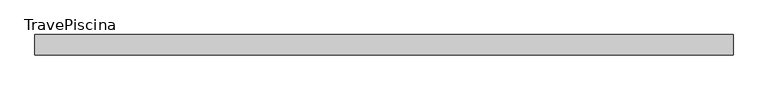
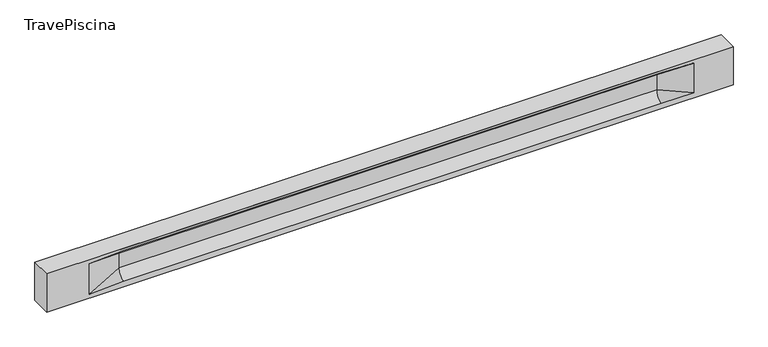
"""IFC4 building model written with IfcOpenShell, lengths in millimetres: beam geometry, TravePiscina."""

from ifc_helpers import new_model, si_unit, frame, origin, place, context, project, spatial, polyline, circle_curve, source, transform, mapped, element, save
from ifc_brep_helpers import plane_surface, revolved_surface, spline_surface, advanced_brep


def travepiscina_f9c4f2c6(model_context):
    return source(origin(), model_context, "Body", "AdvancedBrep", [
        advanced_brep(
        [(8489.5, -250.0, 500.0), (8489.5, -250.0, -500.0), (8489.5, 250.0, -500.0), (8489.5, 250.0, 500.0), (-8489.5, -250.0, 500.0), (-8489.5, -250.0, -500.0), (7514.5, -250.0, -362.0), (6714.5, -250.0, -360.0), (-6589.5, -250.0, -360.0), (-7439.5, -250.0, -400.0), (-7439.5, -250.0, 400.0), (-6589.5, -250.0, 435.0), (6714.5, -250.0, 435.0), (7514.5, -250.0, 400.0), (-8489.5, 250.0, -500.0), (-8489.5, 250.0, 500.0), (7514.5, 250.0, 400.0), (6714.5, 250.0, 435.0), (-6589.5, 250.0, 435.0), (-7439.5, 250.0, 400.0), (-7439.5, 250.0, -400.0), (-6589.5, 250.0, -360.0), (6714.5, 250.0, -360.0), (7514.5, 250.0, -362.0), (6714.5, 155.0, 405.0), (-6589.5, 155.0, 405.0), (-6589.5, -60.0, 262.777021), (6714.5, -60.0, 262.777021), (6714.5, -155.0, 405.0), (-6589.5, -155.0, 405.0), (-6589.5, 60.0, 262.777021), (6714.5, 60.0, 262.777021), (6714.5, 60.0, -120.0), (-6589.5, 60.0, -120.0), (-6589.5, -60.0, -120.0), (6714.5, -60.0, -120.0)],
        [
            (0, 1),
            (1, 2),
            (2, 3),
            (3, 0),
            (0, 4),
            (4, 5),
            (5, 1),
            (6, 7),
            (7, 8),
            (8, 9),
            (9, 10),
            (10, 11),
            (11, 12),
            (12, 13),
            (13, 6),
            (5, 14),
            (14, 2),
            (14, 15),
            (15, 3),
            (16, 17),
            (17, 18),
            (18, 19),
            (19, 20),
            (20, 21),
            (21, 22),
            (22, 23),
            (23, 16),
            (15, 4),
            (17, 24),
            (24, 25),
            (25, 18),
            (26, 27),
            (27, 28, circle_curve(frame((6714.5, -213.9598725, 262.777021), z_axis=(1.0, 0.0, 0.0), x_axis=(0.0, 1.0, 0.0)), 153.9598725)),
            (28, 29),
            (29, 26, circle_curve(frame((-6589.5, -213.9598725, 262.777021), z_axis=(-1.0, 0.0, 0.0), x_axis=(0.0, 1.0, 0.0)), 153.9598725)),
            (30, 31),
            (31, 32),
            (32, 33),
            (33, 30),
            (28, 12),
            (11, 29),
            (34, 35),
            (35, 27),
            (26, 34),
            (25, 19),
            (22, 32, circle_curve(frame((6714.5, 306.5789474, -120.0), z_axis=(-1.0, 0.0, 0.0), x_axis=(0.0, 1.0, 0.0)), 246.5789474)),
            (32, 23),
            (10, 29),
            (10, 26),
            (13, 28),
            (27, 13),
            (30, 19),
            (25, 30, circle_curve(frame((-6589.5, 213.9598725, 262.777021), z_axis=(1.0, 0.0, 0.0), x_axis=(0.0, 1.0, 0.0)), 153.9598725)),
            (9, 34),
            (8, 34, circle_curve(frame((-6589.5, -306.5789474, -120.0), z_axis=(1.0, 0.0, 0.0), x_axis=(0.0, 1.0, 0.0)), 246.5789474)),
            (20, 33),
            (33, 21, circle_curve(frame((-6589.5, 306.5789474, -120.0), z_axis=(1.0, 0.0, 0.0), x_axis=(0.0, 1.0, 0.0)), 246.5789474)),
            (35, 6),
            (35, 7, circle_curve(frame((6714.5, -306.5789474, -120.0), z_axis=(-1.0, 0.0, 0.0), x_axis=(0.0, 1.0, 0.0)), 246.5789474)),
            (31, 16),
            (31, 24, circle_curve(frame((6714.5, 213.9598725, 262.777021), z_axis=(-1.0, 0.0, 0.0), x_axis=(0.0, 1.0, 0.0)), 153.9598725)),
            (24, 16),
        ],
        [
            plane_surface(frame((8489.5, 0.0, 0.0), z_axis=(1.0, 0.0, 0.0), x_axis=(0.0, 0.0, 1.0))),
            plane_surface(frame((8489.5, -250.0, 500.0), z_axis=(0.0, -1.0, 0.0), x_axis=(-1.0, 0.0, 0.0))),
            plane_surface(frame((8489.5, -250.0, -500.0), z_axis=(0.0, 0.0, -1.0), x_axis=(-1.0, 0.0, 0.0))),
            plane_surface(frame((8489.5, 250.0, -500.0), z_axis=(0.0, 1.0, 0.0), x_axis=(-1.0, 0.0, 0.0))),
            plane_surface(frame((8489.5, 250.0, 500.0), z_axis=(0.0, 0.0, 1.0), x_axis=(-1.0, 0.0, 0.0))),
            plane_surface(frame((-6589.5, 250.0, 435.0), z_axis=(0.0, 0.30113136793710954, -0.9535826651341378), x_axis=(1.0, 0.0, 0.0))),
            plane_surface(frame((-8489.5, 0.0, 0.0), z_axis=(-1.0, 0.0, 0.0), x_axis=(0.0, 0.0, 1.0))),
            revolved_surface(polyline([(6714.5, -60.0, 262.777021), (-6589.5, -60.0, 262.777021)]), (-6589.5, -213.9598725, 262.777021), (1.0, 0.0, 0.0)),
            plane_surface(frame((-6589.5, 60.0, 262.777021), z_axis=(0.0, 1.0, 0.0), x_axis=(1.0, 0.0, 0.0))),
            plane_surface(frame((-6589.5, -155.0, 405.0), z_axis=(0.0, -0.30113136793710693, -0.9535826651341387), x_axis=(1.0, 0.0, 0.0))),
            plane_surface(frame((-6589.5, -60.0, -120.0), z_axis=(0.0, -1.0, 0.0), x_axis=(1.0, 0.0, 0.0))),
            plane_surface(frame((-7439.5, 250.0, 400.0), z_axis=(0.039234934914694146, 0.30089950084952793, -0.9528484193567961), x_axis=(0.0, 0.9535826651341378, 0.30113136793710954))),
            spline_surface(2, 1, [[(6714.5, 250.0, -360.0), (7514.5, 250.0, -362.0)], [(6714.5, 60.00000002887427, -315.20833329480604), (7514.5, 250.0, -362.0)], [(6714.5, 60.0, -120.0), (7514.5, 250.0, -362.0)]], [3, 3], [2, 2], [0.0, 1.0], [0.0, 1.0], weights=[[1.0, 1.0], [0.7840458245391329, 0.7840458245391329], [1.0, 1.0]]),
            plane_surface(frame((-7439.5, -250.0, 400.0), z_axis=(0.03923493491469418, -0.3008995008495253, -0.952848419356797), x_axis=(0.0, 0.9535826651341387, -0.30113136793710693))),
            spline_surface(2, 1, [[(-7439.5, -250.0, 400.0), (-6589.5, -155.0, 405.0)], [(-7439.5, -250.0, 400.0), (-6589.5, -60.00000008030692, 365.6168572114734)], [(-7439.5, -250.0, 400.0), (-6589.5, -60.0, 262.777021)]], [3, 3], [2, 2], [0.0, 1.0], [0.0, 1.0], weights=[[1.0, 1.0], [0.8315515924557569, 0.8315515924557569], [1.0, 1.0]]),
            spline_surface(2, 1, [[(6714.5, -155.0, 405.0), (7514.5, -250.0, 400.0)], [(6714.5, -60.00000008030692, 365.6168572114734), (7514.5, -250.0, 400.0)], [(6714.5, -60.0, 262.777021), (7514.5, -250.0, 400.0)]], [3, 3], [2, 2], [0.0, 1.0], [0.0, 1.0], weights=[[1.0, 1.0], [0.8315515924557569, 0.8315515924557569], [1.0, 1.0]]),
            plane_surface(frame((6714.5, -202.5, 420.0), z_axis=(-0.04168298285568735, -0.30086965068766125, -0.9527538938442274), x_axis=(0.0, 0.9535826651341387, -0.30113136793710693))),
            spline_surface(2, 1, [[(-7439.5, 250.0, 400.0), (-6589.5, 60.0, 262.777021)], [(-7439.5, 250.0, 400.0), (-6589.5, 59.99999995452379, 365.6168572954922)], [(-7439.5, 250.0, 400.0), (-6589.5, 155.0, 405.0)]], [3, 3], [2, 2], [0.0, 1.0], [0.0, 1.0], weights=[[1.0, 1.0], [0.8315515921160737, 0.8315515921160737], [1.0, 1.0]]),
            plane_surface(frame((-7439.5, -250.0, 0.0), z_axis=(0.21814596370705122, -0.9759161534262674, 0.0), x_axis=(0.0, 0.0, -1.0))),
            spline_surface(2, 1, [[(-7439.5, -250.0, -400.0), (-6589.5, -60.0, -120.0)], [(-7439.5, -250.0, -400.0), (-6589.5, -59.99999998020837, -315.20833333333337)], [(-7439.5, -250.0, -400.0), (-6589.5, -250.0, -360.0)]], [3, 3], [2, 2], [0.0, 1.0], [0.0, 1.0], weights=[[1.0, 1.0], [0.7840458244617614, 0.7840458244617614], [1.0, 1.0]]),
            spline_surface(2, 1, [[(-7439.5, 250.0, -400.0), (-6589.5, 250.0, -360.0)], [(-7439.5, 250.0, -400.0), (-6589.5, 60.00000002887427, -315.20833329480604)], [(-7439.5, 250.0, -400.0), (-6589.5, 60.0, -120.0)]], [3, 3], [2, 2], [0.0, 1.0], [0.0, 1.0], weights=[[1.0, 1.0], [0.7840458245391329, 0.7840458245391329], [1.0, 1.0]]),
            plane_surface(frame((-7439.5, 250.0, 0.0), z_axis=(0.21814596370704714, 0.9759161534262684, 0.0), x_axis=(0.0, 0.0, 1.0))),
            plane_surface(frame((6714.5, -60.0, 71.3885105), z_axis=(-0.23107243079589673, -0.9729365507195603, 0.0), x_axis=(0.0, 0.0, -1.0))),
            spline_surface(2, 1, [[(6714.5, -60.0, -120.0), (7514.5, -250.0, -362.0)], [(6714.5, -59.99999998020837, -315.20833333333337), (7514.5, -250.0, -362.0)], [(6714.5, -250.0, -360.0), (7514.5, -250.0, -362.0)]], [3, 3], [2, 2], [0.0, 1.0], [0.0, 1.0], weights=[[1.0, 1.0], [0.7840458244617614, 0.7840458244617614], [1.0, 1.0]]),
            plane_surface(frame((6714.5, 60.0, 71.3885105), z_axis=(-0.23107243079589032, 0.9729365507195619, 0.0), x_axis=(0.0, 0.0, 1.0))),
            spline_surface(2, 1, [[(6714.5, 60.0, 262.777021), (7514.5, 250.0, 400.0)], [(6714.5, 59.99999995452379, 365.6168572954922), (7514.5, 250.0, 400.0)], [(6714.5, 155.0, 405.0), (7514.5, 250.0, 400.0)]], [3, 3], [2, 2], [0.0, 1.0], [0.0, 1.0], weights=[[1.0, 1.0], [0.8315515921160737, 0.8315515921160737], [1.0, 1.0]]),
            plane_surface(frame((6714.5, 202.5, 420.0), z_axis=(-0.041682982855686605, 0.30086965068766386, -0.9527538938442265), x_axis=(0.0, 0.9535826651341378, 0.30113136793710954))),
            revolved_surface(polyline([(6714.5, 367.919745, 262.777021), (-6589.5, 367.919745, 262.777021)]), (-6589.5, 213.9598725, 262.777021), (1.0, 0.0, 0.0)),
            revolved_surface(polyline([(6714.5, 553.1578948, -120.0), (-6589.5, 553.1578948, -120.0)]), (-6589.5, 306.5789474, -120.0), (1.0, 0.0, 0.0)),
            revolved_surface(polyline([(6714.5, -60.0, -120.0), (-6589.5, -60.0, -120.0)]), (-6589.5, -306.5789474, -120.0), (1.0, 0.0, 0.0)),
        ],
        [
            (0, [[1, 2, 3, 4]]),
            (1, [[-1, 5, 6, 7], [8, 9, 10, 11, 12, 13, 14, 15]]),
            (2, [[-2, -7, 16, 17]]),
            (3, [[-3, -17, 18, 19], [20, 21, 22, 23, 24, 25, 26, 27]]),
            (4, [[-5, -4, -19, 28]]),
            (5, [[-21, 29, 30, 31]]),
            (6, [[-28, -18, -16, -6]]),
            (7, [[32, 33, 34, 35]]),
            (8, [[36, 37, 38, 39]]),
            (9, [[-34, 40, -13, 41]]),
            (10, [[42, 43, -32, 44]]),
            (11, [[45, -22, -31]]),
            (12, [[-26, 46, 47]]),
            (13, [[-12, 48, -41]]),
            (14, [[-48, 49, -35]]),
            (15, [[50, -33, 51]]),
            (16, [[-14, -40, -50]]),
            (17, [[52, -45, 53]]),
            (18, [[-49, -11, 54, -44]]),
            (19, [[-54, -10, 55]]),
            (20, [[-24, 56, 57]]),
            (21, [[-52, -39, -56, -23]]),
            (22, [[-51, -43, 58, -15]]),
            (23, [[-58, 59, -8]]),
            (24, [[-47, -37, 60, -27]]),
            (25, [[-60, 61, 62]]),
            (26, [[-62, -29, -20]]),
            (27, [[-30, -61, -36, -53]]),
            (28, [[-38, -46, -25, -57]]),
            (29, [[-9, -59, -42, -55]]),
        ],
    ),
    ])


if __name__ == "__main__":
    model = new_model("IFC4")
    model_context = context("Model", 3, world=origin())
    ifc_project = project(units=[si_unit("LENGTHUNIT", "METRE", prefix="MILLI")], contexts=[model_context])
    site = spatial("IfcSite", under=ifc_project)
    building = spatial("IfcBuilding", under=site)
    placement = place(None, origin())
    travepiscina_shape = travepiscina_f9c4f2c6(model_context)
    element("IfcBeam", 1, ObjectType="TravePiscina", at=placement, inside=building, context=model_context, shape_type="MappedRepresentation", body=[
        mapped(travepiscina_shape, transform((0.0, 0.0, 0.0), x_axis=(1.0, 0.0, 0.0), y_axis=(0.0, 1.0, 0.0), z_axis=(0.0, 0.0, 1.0))),
    ])
    save(model, "model.ifc")
